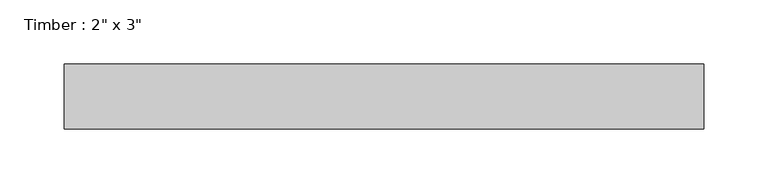
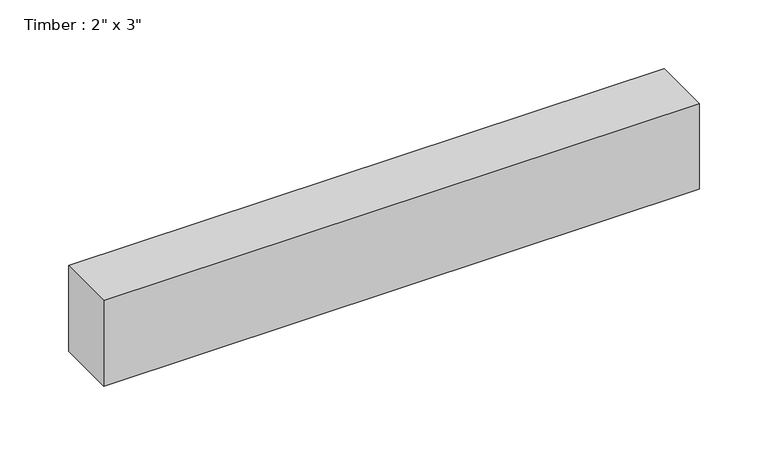
"""IFC4 building model written with IfcOpenShell, lengths in millimetres: beam geometry."""

from ifc_helpers import new_model, si_unit, frame, origin, place, context, project, spatial, polyline, outline, extrude, source, transform, mapped, element, save


def beam_5a9a98ff(model_context):
    return source(origin(), model_context, "Body", "SweptSolid", [
        extrude(outline(polyline([(249.7514242, 25.4), (249.7514242, -25.4), (-249.7514242, -25.4), (-249.7514242, 25.4), (249.7514242, 25.4)])), frame((0.0, 0.0, -38.1), z_axis=(0.0, 0.0, 1.0), x_axis=(1.0, 0.0, 0.0)), (0.0, 0.0, 1.0), 76.2),
    ])


if __name__ == "__main__":
    model = new_model("IFC4")
    model_context = context("Model", 3, world=origin())
    ifc_project = project(units=[si_unit("LENGTHUNIT", "METRE", prefix="MILLI")], contexts=[model_context])
    site = spatial("IfcSite", under=ifc_project)
    building = spatial("IfcBuilding", under=site)
    placement = place(None, origin())
    beam_shape = beam_5a9a98ff(model_context)
    element("IfcBeam", 1, ObjectType="Timber : 2\" x 3\"", at=placement, inside=building, context=model_context, shape_type="MappedRepresentation", body=[
        mapped(beam_shape, transform((0.0, 0.0, 0.0), x_axis=(1.0, 0.0, 0.0), y_axis=(0.0, 1.0, 0.0), z_axis=(0.0, 0.0, 1.0))),
    ])
    save(model, "model.ifc")
